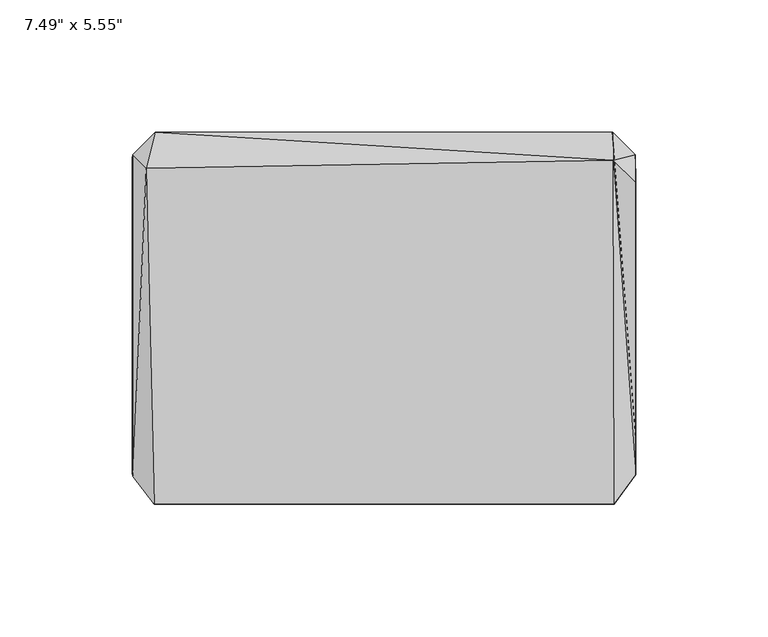
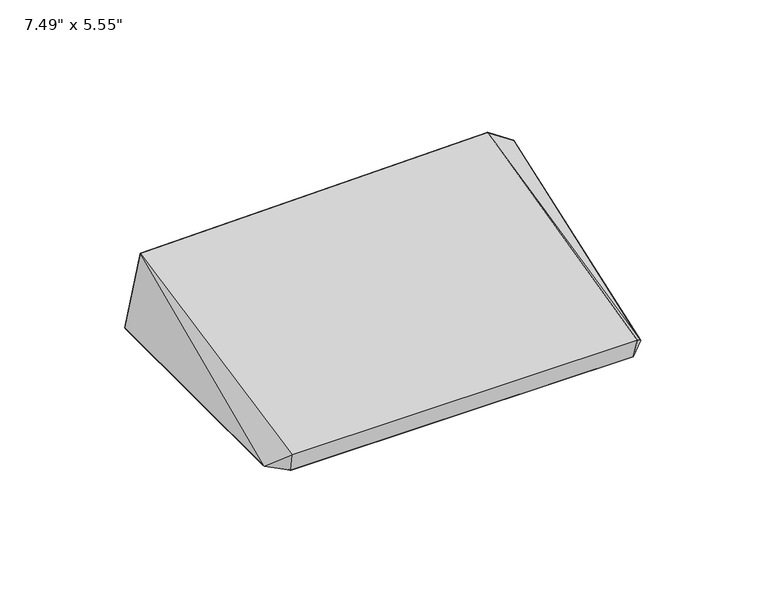
"""IFC4 building model written with IfcOpenShell, lengths in millimetres: furniture geometry."""

from ifc_helpers import new_model, si_unit, origin, place, context, project, spatial, triangles, source, transform, mapped, element, save


def furniture_87208c99(model_context):
    return source(origin(), model_context, "Body", "Tessellation", [
        triangles([(-86.3345447, -63.65679, 0.0), (-86.2383016, -68.0767055, 1.9399999), (-95.1819797, -58.8611404, 1.9399999), (86.2390066, -67.8134874, 1.8256792), (-95.1791938, 61.2528307, 1.9399999), (-86.234874, 70.195614, 1.8217739), (86.5675424, 65.9381461, 0.0), (95.1704164, -46.6381068, 1.9399608), (86.2240851, 70.4630015, 1.9399999)], [[1, 2, 3], [1, 4, 2], [3, 5, 1], [1, 5, 6], [1, 6, 7], [1, 7, 4], [4, 7, 8], [7, 9, 8], [6, 9, 7]], closed=False),
        triangles([(-95.0018337, 61.8792323, 1.9400194), (-89.9394329, 56.9036875, 43.1027106), (-86.4093092, 70.4274312, 1.9400194), (86.6904738, 59.9097622, 43.8466242), (86.5013302, 70.4104884, 1.9400194), (94.946265, 61.9742588, 1.9400194), (95.1575366, 51.5286029, 41.7724866), (95.115044, -59.1058006, 2.1169521), (87.0046853, -70.1771466, 11.6533675), (86.3129756, -68.0565003, 1.9400194), (-86.7924462, -70.2493065, 11.6355237), (-86.3520846, -68.0494997, 1.9400194), (-94.9640604, -59.6394177, 2.0273141)], [[1, 2, 3], [3, 4, 5], [4, 3, 2], [4, 6, 5], [6, 4, 7], [7, 8, 6], [9, 10, 8], [10, 11, 12], [11, 10, 9], [2, 13, 11], [4, 9, 8], [4, 8, 7], [1, 13, 2], [12, 11, 13], [9, 2, 11], [2, 9, 4]], closed=False),
    ])


if __name__ == "__main__":
    model = new_model("IFC4")
    model_context = context("Model", 3, world=origin())
    ifc_project = project(units=[si_unit("LENGTHUNIT", "METRE", prefix="MILLI")], contexts=[model_context])
    site = spatial("IfcSite", under=ifc_project)
    building = spatial("IfcBuilding", under=site)
    placement = place(None, origin())
    furniture_shape = furniture_87208c99(model_context)
    element("IfcFurniture", 1, ObjectType="7.49\" x 5.55\"", at=placement, inside=building, context=model_context, shape_type="MappedRepresentation", body=[
        mapped(furniture_shape, transform((0.0, 0.0, 0.0), x_axis=(1.0, 0.0, 0.0), y_axis=(0.0, 1.0, 0.0), z_axis=(0.0, 0.0, 1.0))),
    ])
    save(model, "model.ifc")
